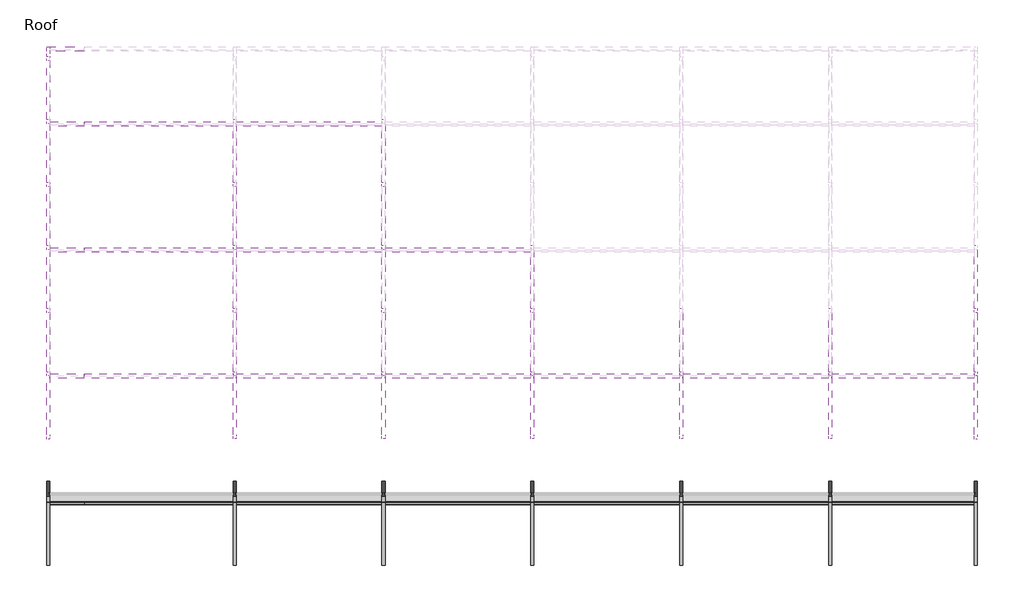
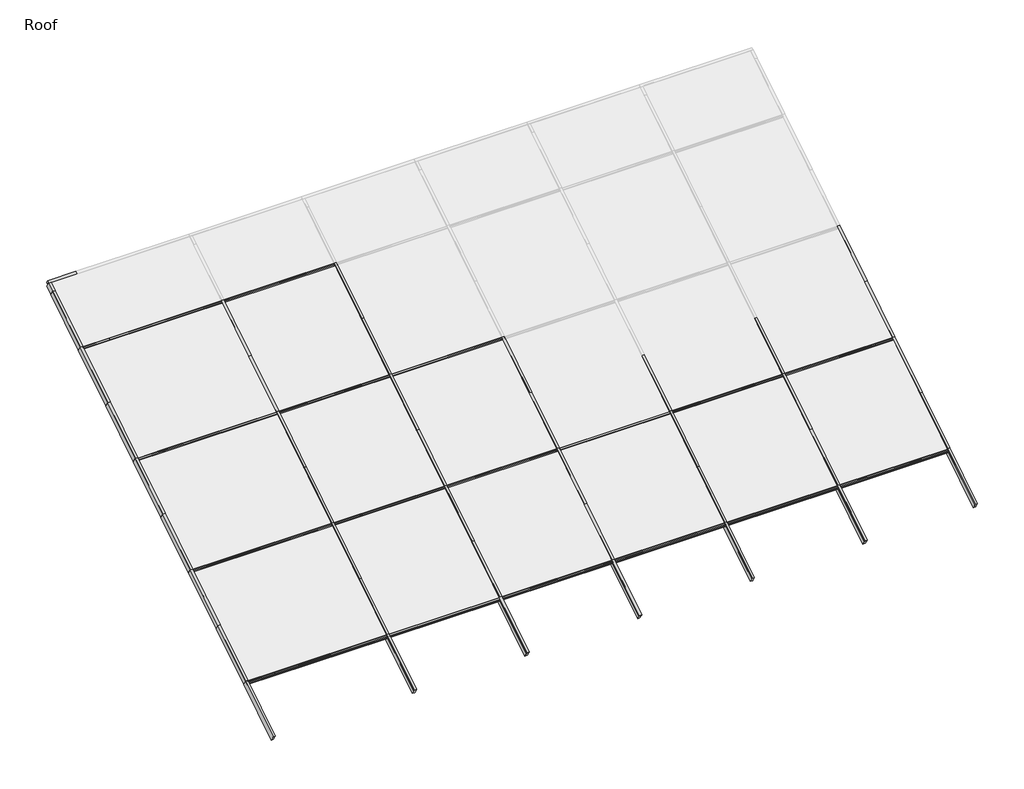
# One storey, part 1 of 2: 63 members.
"""IFC4 building model written with IfcOpenShell, lengths in millimetres."""

import ifcopenshell
import ifcopenshell.guid

model = None  # the IFC model being written
_history = None  # IfcOwnerHistory: only IFC2X3 demands one
_inside = {}  # id of a spatial element -> (the spatial element, [elements in it])
_under = {}  # id of a project, library or spatial element -> (it, [spatial elements below it])
_declared = {}  # id of a project -> (the project, [libraries it declares])
_typed = {}  # id of a type object -> (the type object, [elements of that type])
_made_of = {}  # id of a material, layer set ... -> (it, [elements and type objects made of it])


def new_model(schema):
    """Start an empty IFC model of exactly this schema.

    Asked for "IFC4X3", IfcOpenShell would pick the latest addendum, in which some entities
    have other attributes; the version numbers below select the first issue.
    IFC2X3 requires an IfcOwnerHistory on every rooted entity: one is made here for all.
    """
    global model, _history
    if schema == "IFC4X3":
        model = ifcopenshell.file(schema_version=(4, 3, 0, 0))
    else:
        model = ifcopenshell.file(schema=schema)
    _inside.clear()
    _under.clear()
    _declared.clear()
    _typed.clear()
    _made_of.clear()
    _history = None
    if model.schema == "IFC2X3":
        org = make("IfcOrganization", Name="unknown")
        user = make(
            "IfcPersonAndOrganization",
            ThePerson=make("IfcPerson", FamilyName="unknown"),
            TheOrganization=org,
        )
        app = make(
            "IfcApplication",
            ApplicationDeveloper=org,
            Version="unknown",
            ApplicationFullName="unknown",
            ApplicationIdentifier="unknown",
        )
        _history = make(
            "IfcOwnerHistory",
            OwningUser=user,
            OwningApplication=app,
            ChangeAction="ADDED",
            CreationDate=0,
        )
    return model


def make(cls, **values):
    """One entity of the class cls with the attributes given. An attribute that is None is left unset."""
    return model.create_entity(
        cls, **{name: value for name, value in values.items() if value is not None}
    )


def rooted(cls, **values):
    """An entity with a GlobalId (a new one), such as an element, a storey or a relation."""
    return make(cls, GlobalId=ifcopenshell.guid.new(), OwnerHistory=_history, **values)


def si_unit(unit_type, name, prefix=None):
    """IfcSIUnit, for example si_unit("LENGTHUNIT", "METRE", prefix="MILLI")."""
    return make("IfcSIUnit", UnitType=unit_type, Prefix=prefix, Name=name)


def assignment(units):
    """IfcUnitAssignment: the units of a project."""
    return None if units is None else make("IfcUnitAssignment", Units=units)


def point(xyz):
    """IfcCartesianPoint."""
    return None if xyz is None else make("IfcCartesianPoint", Coordinates=xyz)


def direction(xyz):
    """IfcDirection."""
    return None if xyz is None else make("IfcDirection", DirectionRatios=xyz)


def frame(location, z_axis=None, x_axis=None):
    """IfcAxis2Placement3D, a coordinate frame: its origin and axes. An axis left out is left unset."""
    return make(
        "IfcAxis2Placement3D",
        Location=point(location),
        Axis=direction(z_axis),
        RefDirection=direction(x_axis),
    )


def origin():
    """The frame at (0, 0, 0) with its axes left unset."""
    return frame((0.0, 0.0, 0.0))


def place(relative_to, where):
    """IfcLocalPlacement: puts the frame where relative to a parent placement (None: the world)."""
    return make(
        "IfcLocalPlacement", PlacementRelTo=relative_to, RelativePlacement=where
    )


def context(
    kind, dimensions, precision=None, world=None, true_north=None, identifier=None
):
    """IfcGeometricRepresentationContext, for example the 3D "Model" context."""
    return make(
        "IfcGeometricRepresentationContext",
        ContextIdentifier=identifier,
        ContextType=kind,
        CoordinateSpaceDimension=dimensions,
        Precision=precision,
        WorldCoordinateSystem=world,
        TrueNorth=true_north,
    )


def project(units=None, contexts=None):
    """IfcProject with its units and contexts."""
    return rooted(
        "IfcProject",
        Name="project",
        RepresentationContexts=contexts,
        UnitsInContext=assignment(units),
    )


def spatial(cls, under=None, at=None, **own):
    """A site, building, storey or space (cls), placed at a placement, below another one or the project."""
    s = rooted(cls, ObjectPlacement=at, **own)
    if under is not None:
        _under.setdefault(under.id(), (under, []))[1].append(s)
    return s


def polyline(points):
    """IfcPolyline through the points."""
    return make("IfcPolyline", Points=[point(p) for p in points])


def outline(outer, holes=None, kind="AREA"):
    """IfcArbitraryClosedProfileDef: a profile drawn as a closed curve; with holes, ...WithVoids."""
    if holes is None:
        return make("IfcArbitraryClosedProfileDef", ProfileType=kind, OuterCurve=outer)
    return make(
        "IfcArbitraryProfileDefWithVoids",
        ProfileType=kind,
        OuterCurve=outer,
        InnerCurves=holes,
    )


def extrude(swept, where, along, depth):
    """IfcExtrudedAreaSolid: the profile swept, set in the frame where, extruded along a direction by depth."""
    return make(
        "IfcExtrudedAreaSolid",
        SweptArea=swept,
        Position=where,
        ExtrudedDirection=direction(along),
        Depth=depth,
    )


def shape(context_of_items, identifier, shape_type, items):
    """IfcShapeRepresentation: the items that make up one representation, for example the "Body"."""
    return make(
        "IfcShapeRepresentation",
        ContextOfItems=context_of_items,
        RepresentationIdentifier=identifier,
        RepresentationType=shape_type,
        Items=items,
    )


def source(mapping_origin, context_of_items, identifier, shape_type, items):
    """IfcRepresentationMap: a shape defined once, which mapped items show again and again."""
    return make(
        "IfcRepresentationMap",
        MappingOrigin=mapping_origin,
        MappedRepresentation=shape(context_of_items, identifier, shape_type, items),
    )


def transform(
    local_origin,
    x_axis=None,
    y_axis=None,
    z_axis=None,
    scale=None,
    scale2=None,
    scale3=None,
    uniform=True,
):
    """IfcCartesianTransformationOperator3D, or its non-uniform kind. x_axis, y_axis, z_axis: its Axis1, 2, 3."""
    if uniform:
        return make(
            "IfcCartesianTransformationOperator3D",
            Axis1=direction(x_axis),
            Axis2=direction(y_axis),
            LocalOrigin=point(local_origin),
            Scale=scale,
            Axis3=direction(z_axis),
        )
    return make(
        "IfcCartesianTransformationOperator3DnonUniform",
        Axis1=direction(x_axis),
        Axis2=direction(y_axis),
        LocalOrigin=point(local_origin),
        Scale=scale,
        Axis3=direction(z_axis),
        Scale2=scale2,
        Scale3=scale3,
    )


def mapped(mapping_source, mapping_target):
    """IfcMappedItem: shows the shape of a source again, moved by a transform."""
    return make(
        "IfcMappedItem", MappingSource=mapping_source, MappingTarget=mapping_target
    )


def made_of(thing, what):
    """Note that an element or type object is made of a material, layer set ...; save() writes the relation."""
    if what is not None:
        _made_of.setdefault(what.id(), (what, []))[1].append(thing)
    return thing


def element(
    cls,
    number,
    at=None,
    inside=None,
    cuts=None,
    type_object=None,
    material=None,
    context=None,
    identifier="Body",
    shape_type=None,
    held_by="IfcProductDefinitionShape",
    body=None,
    shapes=None,
    **own,
):
    """One element of the class cls, such as IfcWall. Its Tag is "e" and its number.

    at: its placement. inside: the storey or other place that contains it. cuts: it is an
    opening in that element (IfcRelVoidsElement). A single representation is given by context,
    identifier, shape_type and body (its items); several are given by shapes. held_by: the class
    of the entity that holds the representations. save() writes the other relations.
    """
    e = rooted(cls, Tag="e%d" % number, ObjectPlacement=at, **own)
    if body is not None:
        shapes = [shape(context, identifier, shape_type, body)]
    if shapes is not None:
        e.Representation = make(held_by, Representations=shapes)
    if inside is not None:
        _inside.setdefault(inside.id(), (inside, []))[1].append(e)
    if cuts is not None:
        rooted(
            "IfcRelVoidsElement", RelatingBuildingElement=cuts, RelatedOpeningElement=e
        )
    if type_object is not None:
        _typed.setdefault(type_object.id(), (type_object, []))[1].append(e)
    return made_of(e, material)


def aggregate(whole, parts):
    """IfcRelAggregates: a whole, such as a stair, and the parts it consists of."""
    return rooted("IfcRelAggregates", RelatingObject=whole, RelatedObjects=parts)


def save(model, path):
    """Write the relations noted so far, then the file.

    IfcRelAggregates (storeys below a building ...), IfcRelContainedInSpatialStructure (elements
    in a storey), IfcRelDefinesByType, IfcRelAssociatesMaterial and IfcRelDeclares: one each for
    every whole, place, type object, material and project.
    """
    for whole, parts in _under.values():
        aggregate(whole, parts)
    for where, things in _inside.values():
        rooted(
            "IfcRelContainedInSpatialStructure",
            RelatedElements=things,
            RelatingStructure=where,
        )
    for kind, things in _typed.values():
        rooted("IfcRelDefinesByType", RelatedObjects=things, RelatingType=kind)
    for what, things in _made_of.values():
        rooted("IfcRelAssociatesMaterial", RelatedObjects=things, RelatingMaterial=what)
    for by, libraries in _declared.values():
        rooted("IfcRelDeclares", RelatingContext=by, RelatedDefinitions=libraries)
    model.write(path)


def rectangular_mullion_c4d62078(model_context):
    return source(origin(), model_context, "Body", "SweptSolid", [
        extrude(outline(polyline([(-0.000129, 31.7245455), (0.0, -54.0133409), (-63.5, -54.0134364), (-63.5000621, -12.738415), (-49.2252621, -12.738415), (-49.2253003, 12.661585), (-63.4960612, 12.6616148), (-63.4999406, 31.7116144), (-0.000129, 31.7245455)])), frame((0.0, 0.0, -770.2951644), z_axis=(0.0, 0.0, 1.0), x_axis=(1.0, 0.0, 0.0)), (0.0, 0.0, 1.0), 770.2951644),
    ])


def rectangular_mullion_a13faa2c(model_context):
    return source(origin(), model_context, "Body", "SweptSolid", [
        extrude(outline(polyline([(-4.096956, -53.9602111), (-67.596956, -53.9602111), (-67.596956, -12.6852111), (-53.309456, -12.6852111), (-53.309456, 12.7147889), (-65.9499667, 12.7147889), (-65.9499667, 21.8572066), (-51.099656, 30.4308317), (-20.594256, 30.4310857), (-5.7051014, 21.8350346), (-4.096956, 12.7147889), (-18.384456, 12.7147889), (-18.384456, -12.6852111), (-4.096956, -12.6852111), (-4.096956, -53.9602111)])), frame((0.0, 0.0, -706.8411384), z_axis=(0.0, 0.0, 1.0), x_axis=(1.0, 0.0, 0.0)), (0.0, 0.0, 1.0), 706.8411384),
    ])


def rectangular_mullion_35060c6a(model_context):
    return source(origin(), model_context, "Body", "SweptSolid", [
        extrude(outline(polyline([(-4.096956, -53.9602111), (-67.596956, -53.9602111), (-67.596956, -12.6852111), (-53.309456, -12.6852111), (-53.309456, 12.7147889), (-65.9499667, 12.7147889), (-65.9499667, 21.8572066), (-51.099656, 30.4308317), (-20.594256, 30.4310857), (-5.7051014, 21.8350346), (-4.096956, 12.7147889), (-18.384456, 12.7147889), (-18.384456, -12.6852111), (-4.096956, -12.6852111), (-4.096956, -53.9602111)])), frame((0.0, 0.0, -3048.0), z_axis=(0.0, 0.0, 1.0), x_axis=(1.0, 0.0, 0.0)), (0.0, 0.0, 1.0), 3048.0),
    ])


def rectangular_mullion_f91fee04(model_context):
    return source(origin(), model_context, "Body", "SweptSolid", [
        extrude(outline(polyline([(-4.096956, -53.9602111), (-67.596956, -53.9602111), (-67.596956, -12.6852111), (-53.309456, -12.6852111), (-53.309456, 12.7147889), (-65.9499667, 12.7147889), (-65.9499667, 21.8572066), (-51.099656, 30.4308317), (-20.594256, 30.4310857), (-5.7051014, 21.8350346), (-4.096956, 12.7147889), (-18.384456, 12.7147889), (-18.384456, -12.6852111), (-4.096956, -12.6852111), (-4.096956, -53.9602111)])), frame((0.0, 0.0, -2984.5), z_axis=(0.0, 0.0, 1.0), x_axis=(1.0, 0.0, 0.0)), (0.0, 0.0, 1.0), 2984.5),
    ])


def rectangular_mullion_ae982b71(model_context):
    return source(origin(), model_context, "Body", "SweptSolid", [
        extrude(outline(polyline([(-4.096956, -53.9602111), (-67.596956, -53.9602111), (-67.596956, -12.6852111), (-53.309456, -12.6852111), (-53.309456, 12.7147889), (-65.9499667, 12.7147889), (-65.9499667, 21.8572066), (-51.099656, 30.4308317), (-20.594256, 30.4310857), (-5.7051014, 21.8350346), (-4.096956, 12.7147889), (-18.384456, 12.7147889), (-18.384456, -12.6852111), (-4.096956, -12.6852111), (-4.096956, -53.9602111)])), frame((0.0, 0.0, -2921.0459743), z_axis=(0.0, 0.0, 1.0), x_axis=(1.0, 0.0, 0.0)), (0.0, 0.0, 1.0), 2921.0459743),
    ])


def rectangular_mullion_b199b035(model_context):
    return source(origin(), model_context, "Body", "SweptSolid", [
        extrude(outline(polyline([(-63.5, -139.6563438), (-63.5, -12.6563184), (-49.2125, -12.6563438), (-49.2125, 12.7436562), (-63.5, 12.7436562), (-63.5, 31.2539062), (0.0, 31.2539062), (0.0, 12.7436562), (-14.2875, 12.7436562), (-14.2875, -12.6563438), (0.0, -12.6563438), (0.0, -139.6563438), (-63.5, -139.6563438)])), frame((0.0, 0.0, -1524.0), z_axis=(0.0, 0.0, 1.0), x_axis=(1.0, 0.0, 0.0)), (0.0, 0.0, 1.0), 1524.0),
    ])


def rectangular_mullion_18b61d79(model_context):
    return source(origin(), model_context, "Body", "SweptSolid", [
        extrude(outline(polyline([(-63.454026, -139.7014045), (-63.454026, -12.7013791), (-49.166526, -12.7014045), (-49.166526, 12.6985955), (-63.454026, 12.6985955), (-63.3922134, 32.0719397), (0.0, 31.75), (0.0, -139.7014045), (-63.454026, -139.7014045)])), frame((0.0, 0.0, -1524.0), z_axis=(0.0, 0.0, 1.0), x_axis=(1.0, 0.0, 0.0)), (0.0, 0.0, 1.0), 1524.0),
    ])


def rectangular_mullion_1b5a8f5a(model_context):
    return source(origin(), model_context, "Body", "SweptSolid", [
        extrude(outline(polyline([(-63.454026, -139.7014045), (-63.454026, -12.7013791), (-49.166526, -12.7014045), (-49.166526, 12.6985955), (-63.454026, 12.6985955), (-63.3922134, 32.0719397), (0.0, 31.75), (0.0, -139.7014045), (-63.454026, -139.7014045)])), frame((0.0, 0.0, -225.7572113), z_axis=(0.0, 0.0, 1.0), x_axis=(1.0, 0.0, 0.0)), (0.0, 0.0, 1.0), 225.7572113),
    ])


model = new_model("IFC4")

# Units and contexts
model_context = context("Model", 3, world=origin())
ifc_project = project(units=[si_unit("LENGTHUNIT", "METRE", prefix="MILLI")], contexts=[model_context])

# Site, building, storey
site = spatial("IfcSite", under=ifc_project)
building = spatial("IfcBuilding", under=site)
storey = spatial("IfcBuildingStorey", under=building, Name="Roof", Elevation=6096.0)

# Members
placement = place(None, origin())
rectangular_mullion_shape = rectangular_mullion_c4d62078(model_context)
element("IfcMember", 1, ObjectType="Rectangular Mullion", at=placement, inside=storey, context=model_context, shape_type="MappedRepresentation", body=[
    mapped(rectangular_mullion_shape, transform((-129862.6430895, 5361.6616634, 13030.6002128), x_axis=(0.0, 0.8468122972348432, 0.5318918435658209), y_axis=(0.0, -0.5318918435658209, 0.8468122972348432), z_axis=(1.0, 0.0, 0.0))),
])
rectangular_mullion_2_shape = rectangular_mullion_a13faa2c(model_context)
element("IfcMember", 2, ObjectType="Rectangular Mullion", at=placement, inside=storey, context=model_context, shape_type="MappedRepresentation", body=[
    mapped(rectangular_mullion_2_shape, transform((-129862.6430895, 3826.1731062, 12066.1434588), x_axis=(0.0, 0.8468122972348432, 0.5318918435658209), y_axis=(0.0, -0.5318918435658209, 0.8468122972348432), z_axis=(1.0, 0.0, 0.0))),
])
element("IfcMember", 3, ObjectType="Rectangular Mullion", at=placement, inside=storey, context=model_context, shape_type="MappedRepresentation", body=[
    mapped(rectangular_mullion_2_shape, transform((-129862.6430895, 1245.0892242, 10444.9371196), x_axis=(0.0, 0.8468122972348432, 0.5318918435658209), y_axis=(0.0, -0.5318918435658209, 0.8468122972348432), z_axis=(1.0, 0.0, 0.0))),
])
element("IfcMember", 4, ObjectType="Rectangular Mullion", at=placement, inside=storey, context=model_context, shape_type="MappedRepresentation", body=[
    mapped(rectangular_mullion_2_shape, transform((-129862.6430895, -1335.9946577, 8823.7307804), x_axis=(0.0, 0.8468122972348432, 0.5318918435658209), y_axis=(0.0, -0.5318918435658209, 0.8468122972348432), z_axis=(1.0, 0.0, 0.0))),
])
element("IfcMember", 5, ObjectType="Rectangular Mullion", at=placement, inside=storey, context=model_context, shape_type="MappedRepresentation", body=[
    mapped(rectangular_mullion_2_shape, transform((-129862.6430895, -3917.0785397, 7202.5244412), x_axis=(0.0, 0.8468122972348432, 0.5318918435658209), y_axis=(0.0, -0.5318918435658209, 0.8468122972348432), z_axis=(1.0, 0.0, 0.0))),
])
rectangular_mullion_3_shape = rectangular_mullion_35060c6a(model_context)
element("IfcMember", 6, ObjectType="Rectangular Mullion", at=placement, inside=storey, context=model_context, shape_type="MappedRepresentation", body=[
    mapped(rectangular_mullion_3_shape, transform((-126814.6430895, 3826.1731062, 12066.1434588), x_axis=(0.0, 0.8468122972348432, 0.5318918435658209), y_axis=(0.0, -0.5318918435658209, 0.8468122972348432), z_axis=(1.0, 0.0, 0.0))),
])
element("IfcMember", 7, ObjectType="Rectangular Mullion", at=placement, inside=storey, context=model_context, shape_type="MappedRepresentation", body=[
    mapped(rectangular_mullion_3_shape, transform((-126814.6430895, 1245.0892242, 10444.9371196), x_axis=(0.0, 0.8468122972348432, 0.5318918435658209), y_axis=(0.0, -0.5318918435658209, 0.8468122972348432), z_axis=(1.0, 0.0, 0.0))),
])
element("IfcMember", 8, ObjectType="Rectangular Mullion", at=placement, inside=storey, context=model_context, shape_type="MappedRepresentation", body=[
    mapped(rectangular_mullion_3_shape, transform((-126814.6430895, -1335.9946577, 8823.7307804), x_axis=(0.0, 0.8468122972348432, 0.5318918435658209), y_axis=(0.0, -0.5318918435658209, 0.8468122972348432), z_axis=(1.0, 0.0, 0.0))),
])
element("IfcMember", 9, ObjectType="Rectangular Mullion", at=placement, inside=storey, context=model_context, shape_type="MappedRepresentation", body=[
    mapped(rectangular_mullion_3_shape, transform((-126814.6430895, -3917.0785397, 7202.5244412), x_axis=(0.0, 0.8468122972348432, 0.5318918435658209), y_axis=(0.0, -0.5318918435658209, 0.8468122972348432), z_axis=(1.0, 0.0, 0.0))),
])
rectangular_mullion_4_shape = rectangular_mullion_f91fee04(model_context)
element("IfcMember", 10, ObjectType="Rectangular Mullion", at=placement, inside=storey, context=model_context, shape_type="MappedRepresentation", body=[
    mapped(rectangular_mullion_4_shape, transform((-123766.6430895, 3826.1731062, 12066.1434588), x_axis=(0.0, 0.8468122972348432, 0.5318918435658209), y_axis=(0.0, -0.5318918435658209, 0.8468122972348432), z_axis=(1.0, 0.0, 0.0))),
])
element("IfcMember", 11, ObjectType="Rectangular Mullion", at=placement, inside=storey, context=model_context, shape_type="MappedRepresentation", body=[
    mapped(rectangular_mullion_4_shape, transform((-123766.6430895, 1245.0892242, 10444.9371196), x_axis=(0.0, 0.8468122972348432, 0.5318918435658209), y_axis=(0.0, -0.5318918435658209, 0.8468122972348432), z_axis=(1.0, 0.0, 0.0))),
])
element("IfcMember", 12, ObjectType="Rectangular Mullion", at=placement, inside=storey, context=model_context, shape_type="MappedRepresentation", body=[
    mapped(rectangular_mullion_4_shape, transform((-120718.6430895, 1245.0892242, 10444.9371196), x_axis=(0.0, 0.8468122972348432, 0.5318918435658209), y_axis=(0.0, -0.5318918435658209, 0.8468122972348432), z_axis=(1.0, 0.0, 0.0))),
])
element("IfcMember", 13, ObjectType="Rectangular Mullion", at=placement, inside=storey, context=model_context, shape_type="MappedRepresentation", body=[
    mapped(rectangular_mullion_4_shape, transform((-123766.6430895, -1335.9946577, 8823.7307804), x_axis=(0.0, 0.8468122972348432, 0.5318918435658209), y_axis=(0.0, -0.5318918435658209, 0.8468122972348432), z_axis=(1.0, 0.0, 0.0))),
])
element("IfcMember", 14, ObjectType="Rectangular Mullion", at=placement, inside=storey, context=model_context, shape_type="MappedRepresentation", body=[
    mapped(rectangular_mullion_4_shape, transform((-120718.6430895, -1335.9946577, 8823.7307804), x_axis=(0.0, 0.8468122972348432, 0.5318918435658209), y_axis=(0.0, -0.5318918435658209, 0.8468122972348432), z_axis=(1.0, 0.0, 0.0))),
])
element("IfcMember", 15, ObjectType="Rectangular Mullion", at=placement, inside=storey, context=model_context, shape_type="MappedRepresentation", body=[
    mapped(rectangular_mullion_4_shape, transform((-117670.6430895, -1335.9946577, 8823.7307804), x_axis=(0.0, 0.8468122972348432, 0.5318918435658209), y_axis=(0.0, -0.5318918435658209, 0.8468122972348432), z_axis=(1.0, 0.0, 0.0))),
])
element("IfcMember", 16, ObjectType="Rectangular Mullion", at=placement, inside=storey, context=model_context, shape_type="MappedRepresentation", body=[
    mapped(rectangular_mullion_4_shape, transform((-114622.6430895, -1335.9946577, 8823.7307804), x_axis=(0.0, 0.8468122972348432, 0.5318918435658209), y_axis=(0.0, -0.5318918435658209, 0.8468122972348432), z_axis=(1.0, 0.0, 0.0))),
])
element("IfcMember", 17, ObjectType="Rectangular Mullion", at=placement, inside=storey, context=model_context, shape_type="MappedRepresentation", body=[
    mapped(rectangular_mullion_4_shape, transform((-123766.6430895, -3917.0785397, 7202.5244412), x_axis=(0.0, 0.8468122972348432, 0.5318918435658209), y_axis=(0.0, -0.5318918435658209, 0.8468122972348432), z_axis=(1.0, 0.0, 0.0))),
])
element("IfcMember", 18, ObjectType="Rectangular Mullion", at=placement, inside=storey, context=model_context, shape_type="MappedRepresentation", body=[
    mapped(rectangular_mullion_4_shape, transform((-120718.6430895, -3917.0785397, 7202.5244412), x_axis=(0.0, 0.8468122972348432, 0.5318918435658209), y_axis=(0.0, -0.5318918435658209, 0.8468122972348432), z_axis=(1.0, 0.0, 0.0))),
])
element("IfcMember", 19, ObjectType="Rectangular Mullion", at=placement, inside=storey, context=model_context, shape_type="MappedRepresentation", body=[
    mapped(rectangular_mullion_4_shape, transform((-117670.6430895, -3917.0785397, 7202.5244412), x_axis=(0.0, 0.8468122972348432, 0.5318918435658209), y_axis=(0.0, -0.5318918435658209, 0.8468122972348432), z_axis=(1.0, 0.0, 0.0))),
])
element("IfcMember", 20, ObjectType="Rectangular Mullion", at=placement, inside=storey, context=model_context, shape_type="MappedRepresentation", body=[
    mapped(rectangular_mullion_4_shape, transform((-114622.6430895, -3917.0785397, 7202.5244412), x_axis=(0.0, 0.8468122972348432, 0.5318918435658209), y_axis=(0.0, -0.5318918435658209, 0.8468122972348432), z_axis=(1.0, 0.0, 0.0))),
])
rectangular_mullion_5_shape = rectangular_mullion_ae982b71(model_context)
element("IfcMember", 21, ObjectType="Rectangular Mullion", at=placement, inside=storey, context=model_context, shape_type="MappedRepresentation", body=[
    mapped(rectangular_mullion_5_shape, transform((-111638.0971152, -1335.9946577, 8823.7307804), x_axis=(0.0, 0.8468122972348432, 0.5318918435658209), y_axis=(0.0, -0.5318918435658209, 0.8468122972348432), z_axis=(1.0, 0.0, 0.0))),
])
element("IfcMember", 22, ObjectType="Rectangular Mullion", at=placement, inside=storey, context=model_context, shape_type="MappedRepresentation", body=[
    mapped(rectangular_mullion_5_shape, transform((-111638.0971152, -3917.0785397, 7202.5244412), x_axis=(0.0, 0.8468122972348432, 0.5318918435658209), y_axis=(0.0, -0.5318918435658209, 0.8468122972348432), z_axis=(1.0, 0.0, 0.0))),
])
rectangular_mullion_6_shape = rectangular_mullion_b199b035(model_context)
element("IfcMember", 23, ObjectType="Rectangular Mullion", at=placement, inside=storey, context=model_context, shape_type="MappedRepresentation", body=[
    mapped(rectangular_mullion_6_shape, transform((-126814.6430895, 2535.6311652, 11255.5402892), x_axis=(-1.0, 0.0, 0.0), y_axis=(0.0, -0.5318918435658208, 0.8468122972348433), z_axis=(0.0, 0.8468122972348432, 0.5318918435658206))),
])
element("IfcMember", 24, ObjectType="Rectangular Mullion", at=placement, inside=storey, context=model_context, shape_type="MappedRepresentation", body=[
    mapped(rectangular_mullion_6_shape, transform((-126814.6430895, -45.4527168, 9634.33395), x_axis=(-1.0, 0.0, 0.0), y_axis=(0.0, -0.5318918435658208, 0.8468122972348433), z_axis=(0.0, 0.8468122972348433, 0.5318918435658208))),
])
element("IfcMember", 25, ObjectType="Rectangular Mullion", at=placement, inside=storey, context=model_context, shape_type="MappedRepresentation", body=[
    mapped(rectangular_mullion_6_shape, transform((-126814.6430895, -2626.5365987, 8013.1276108), x_axis=(-1.0, 0.0, 0.0), y_axis=(0.0, -0.5318918435658208, 0.8468122972348433), z_axis=(0.0, 0.8468122972348433, 0.5318918435658208))),
])
element("IfcMember", 26, ObjectType="Rectangular Mullion", at=placement, inside=storey, context=model_context, shape_type="MappedRepresentation", body=[
    mapped(rectangular_mullion_6_shape, transform((-120718.6430895, -45.4527168, 9634.33395), x_axis=(-1.0, 0.0, 0.0), y_axis=(0.0, -0.5318918435658208, 0.8468122972348433), z_axis=(0.0, 0.8468122972348433, 0.5318918435658208))),
])
element("IfcMember", 27, ObjectType="Rectangular Mullion", at=placement, inside=storey, context=model_context, shape_type="MappedRepresentation", body=[
    mapped(rectangular_mullion_6_shape, transform((-120718.6430895, -2626.5365987, 8013.1276108), x_axis=(-1.0, 0.0, 0.0), y_axis=(0.0, -0.5318918435658213, 0.846812297234843), z_axis=(0.0, 0.8468122972348429, 0.5318918435658212))),
])
element("IfcMember", 28, ObjectType="Rectangular Mullion", at=placement, inside=storey, context=model_context, shape_type="MappedRepresentation", body=[
    mapped(rectangular_mullion_6_shape, transform((-123766.6430895, 2535.6311652, 11255.5402892), x_axis=(-1.0, 0.0, 0.0), y_axis=(0.0, -0.5318918435658218, 0.8468122972348426), z_axis=(0.0, 0.8468122972348426, 0.5318918435658218))),
])
element("IfcMember", 29, ObjectType="Rectangular Mullion", at=placement, inside=storey, context=model_context, shape_type="MappedRepresentation", body=[
    mapped(rectangular_mullion_6_shape, transform((-123766.6430895, -45.4527168, 9634.33395), x_axis=(-1.0, 0.0, 0.0), y_axis=(0.0, -0.5318918435658209, 0.8468122972348431), z_axis=(0.0, 0.8468122972348431, 0.5318918435658209))),
])
element("IfcMember", 30, ObjectType="Rectangular Mullion", at=placement, inside=storey, context=model_context, shape_type="MappedRepresentation", body=[
    mapped(rectangular_mullion_6_shape, transform((-123766.6430895, -2626.5365987, 8013.1276108), x_axis=(-1.0, 0.0, 0.0), y_axis=(0.0, -0.5318918435658211, 0.8468122972348431), z_axis=(0.0, 0.8468122972348431, 0.5318918435658211))),
])
element("IfcMember", 31, ObjectType="Rectangular Mullion", at=placement, inside=storey, context=model_context, shape_type="MappedRepresentation", body=[
    mapped(rectangular_mullion_6_shape, transform((-117670.6430895, -45.4527168, 9634.33395), x_axis=(-1.0, 0.0, 0.0), y_axis=(0.0, -0.5318918435658205, 0.8468122972348434), z_axis=(0.0, 0.8468122972348434, 0.5318918435658205))),
])
element("IfcMember", 32, ObjectType="Rectangular Mullion", at=placement, inside=storey, context=model_context, shape_type="MappedRepresentation", body=[
    mapped(rectangular_mullion_6_shape, transform((-117670.6430895, -2626.5365987, 8013.1276108), x_axis=(-1.0, 0.0, 0.0), y_axis=(0.0, -0.5318918435658205, 0.8468122972348434), z_axis=(0.0, 0.8468122972348434, 0.5318918435658205))),
])
element("IfcMember", 33, ObjectType="Rectangular Mullion", at=placement, inside=storey, context=model_context, shape_type="MappedRepresentation", body=[
    mapped(rectangular_mullion_6_shape, transform((-114622.6430895, -45.4527168, 9634.33395), x_axis=(-1.0, 0.0, 0.0), y_axis=(0.0, -0.531891843565821, 0.8468122972348431), z_axis=(0.0, 0.8468122972348431, 0.531891843565821))),
])
element("IfcMember", 34, ObjectType="Rectangular Mullion", at=placement, inside=storey, context=model_context, shape_type="MappedRepresentation", body=[
    mapped(rectangular_mullion_6_shape, transform((-114622.6430895, -2626.5365987, 8013.1276108), x_axis=(-1.0, 0.0, 0.0), y_axis=(0.0, -0.5318918435658211, 0.8468122972348431), z_axis=(0.0, 0.8468122972348431, 0.5318918435658211))),
])
element("IfcMember", 35, ObjectType="Rectangular Mullion", at=placement, inside=storey, context=model_context, shape_type="MappedRepresentation", body=[
    mapped(rectangular_mullion_6_shape, transform((-126814.6430895, 3826.1731062, 12066.1434588), x_axis=(-1.0, 0.0, 0.0), y_axis=(0.0, -0.5318918435658209, 0.8468122972348431), z_axis=(0.0, 0.8468122972348431, 0.5318918435658209))),
])
element("IfcMember", 36, ObjectType="Rectangular Mullion", at=placement, inside=storey, context=model_context, shape_type="MappedRepresentation", body=[
    mapped(rectangular_mullion_6_shape, transform((-126814.6430895, 1245.0892242, 10444.9371196), x_axis=(-1.0, 0.0, 0.0), y_axis=(0.0, -0.5318918435658214, 0.8468122972348427), z_axis=(0.0, 0.8468122972348427, 0.5318918435658214))),
])
element("IfcMember", 37, ObjectType="Rectangular Mullion", at=placement, inside=storey, context=model_context, shape_type="MappedRepresentation", body=[
    mapped(rectangular_mullion_6_shape, transform((-126814.6430895, -1335.9946577, 8823.7307804), x_axis=(-1.0, 0.0, 0.0), y_axis=(0.0, -0.5318918435658208, 0.8468122972348433), z_axis=(0.0, 0.8468122972348432, 0.5318918435658206))),
])
element("IfcMember", 38, ObjectType="Rectangular Mullion", at=placement, inside=storey, context=model_context, shape_type="MappedRepresentation", body=[
    mapped(rectangular_mullion_6_shape, transform((-126814.6430895, -3917.0785397, 7202.5244412), x_axis=(-1.0, 0.0, 0.0), y_axis=(0.0, -0.5318918435658209, 0.8468122972348431), z_axis=(0.0, 0.8468122972348431, 0.5318918435658209))),
])
element("IfcMember", 39, ObjectType="Rectangular Mullion", at=placement, inside=storey, context=model_context, shape_type="MappedRepresentation", body=[
    mapped(rectangular_mullion_6_shape, transform((-120718.6430895, 1245.0892242, 10444.9371196), x_axis=(-1.0, 0.0, 0.0), y_axis=(0.0, -0.5318918435658209, 0.8468122972348431), z_axis=(0.0, 0.8468122972348431, 0.5318918435658209))),
])
element("IfcMember", 40, ObjectType="Rectangular Mullion", at=placement, inside=storey, context=model_context, shape_type="MappedRepresentation", body=[
    mapped(rectangular_mullion_6_shape, transform((-120718.6430895, -1335.9946577, 8823.7307804), x_axis=(-1.0, 0.0, 0.0), y_axis=(0.0, -0.5318918435658208, 0.8468122972348433), z_axis=(0.0, 0.8468122972348432, 0.5318918435658206))),
])
element("IfcMember", 41, ObjectType="Rectangular Mullion", at=placement, inside=storey, context=model_context, shape_type="MappedRepresentation", body=[
    mapped(rectangular_mullion_6_shape, transform((-120718.6430895, -3917.0785397, 7202.5244412), x_axis=(-1.0, 0.0, 0.0), y_axis=(0.0, -0.5318918435658206, 0.8468122972348434), z_axis=(0.0, 0.8468122972348434, 0.5318918435658206))),
])
element("IfcMember", 42, ObjectType="Rectangular Mullion", at=placement, inside=storey, context=model_context, shape_type="MappedRepresentation", body=[
    mapped(rectangular_mullion_6_shape, transform((-123766.6430895, 3826.1731062, 12066.1434588), x_axis=(-1.0, 0.0, 0.0), y_axis=(0.0, -0.5318918435658205, 0.8468122972348434), z_axis=(0.0, 0.8468122972348434, 0.5318918435658205))),
])
element("IfcMember", 43, ObjectType="Rectangular Mullion", at=placement, inside=storey, context=model_context, shape_type="MappedRepresentation", body=[
    mapped(rectangular_mullion_6_shape, transform((-123766.6430895, 1245.0892242, 10444.9371196), x_axis=(-1.0, 0.0, 0.0), y_axis=(0.0, -0.5318918435658206, 0.8468122972348434), z_axis=(0.0, 0.8468122972348433, 0.5318918435658205))),
])
element("IfcMember", 44, ObjectType="Rectangular Mullion", at=placement, inside=storey, context=model_context, shape_type="MappedRepresentation", body=[
    mapped(rectangular_mullion_6_shape, transform((-123766.6430895, -1335.9946577, 8823.7307804), x_axis=(-1.0, 0.0, 0.0), y_axis=(0.0, -0.5318918435658209, 0.8468122972348431), z_axis=(0.0, 0.8468122972348431, 0.5318918435658209))),
])
element("IfcMember", 45, ObjectType="Rectangular Mullion", at=placement, inside=storey, context=model_context, shape_type="MappedRepresentation", body=[
    mapped(rectangular_mullion_6_shape, transform((-123766.6430895, -3917.0785397, 7202.5244412), x_axis=(-1.0, 0.0, 0.0), y_axis=(0.0, -0.5318918435658208, 0.8468122972348433), z_axis=(0.0, 0.8468122972348433, 0.5318918435658208))),
])
element("IfcMember", 46, ObjectType="Rectangular Mullion", at=placement, inside=storey, context=model_context, shape_type="MappedRepresentation", body=[
    mapped(rectangular_mullion_6_shape, transform((-117670.6430895, -1335.9946577, 8823.7307804), x_axis=(-1.0, 0.0, 0.0), y_axis=(0.0, -0.5318918435658212, 0.8468122972348431), z_axis=(0.0, 0.8468122972348431, 0.5318918435658212))),
])
element("IfcMember", 47, ObjectType="Rectangular Mullion", at=placement, inside=storey, context=model_context, shape_type="MappedRepresentation", body=[
    mapped(rectangular_mullion_6_shape, transform((-117670.6430895, -3917.0785397, 7202.5244412), x_axis=(-1.0, 0.0, 0.0), y_axis=(0.0, -0.5318918435658211, 0.8468122972348431), z_axis=(0.0, 0.8468122972348431, 0.5318918435658211))),
])
element("IfcMember", 48, ObjectType="Rectangular Mullion", at=placement, inside=storey, context=model_context, shape_type="MappedRepresentation", body=[
    mapped(rectangular_mullion_6_shape, transform((-114622.6430895, -1335.9946577, 8823.7307804), x_axis=(-1.0, 0.0, 0.0), y_axis=(0.0, -0.5318918435658208, 0.8468122972348433), z_axis=(0.0, 0.8468122972348432, 0.5318918435658206))),
])
element("IfcMember", 49, ObjectType="Rectangular Mullion", at=placement, inside=storey, context=model_context, shape_type="MappedRepresentation", body=[
    mapped(rectangular_mullion_6_shape, transform((-114622.6430895, -3917.0785397, 7202.5244412), x_axis=(-1.0, 0.0, 0.0), y_axis=(0.0, -0.5318918435658205, 0.8468122972348434), z_axis=(0.0, 0.8468122972348434, 0.5318918435658205))),
])
rectangular_mullion_7_shape = rectangular_mullion_18b61d79(model_context)
element("IfcMember", 50, ObjectType="Rectangular Mullion", at=placement, inside=storey, context=model_context, shape_type="MappedRepresentation", body=[
    mapped(rectangular_mullion_7_shape, transform((-130632.9382539, 5116.7150472, 12876.7466284), x_axis=(-1.0, 0.0, 0.0), y_axis=(0.0, -0.5318918435658212, 0.846812297234843), z_axis=(0.0, 0.846812297234843, 0.5318918435658212))),
])
element("IfcMember", 51, ObjectType="Rectangular Mullion", at=placement, inside=storey, context=model_context, shape_type="MappedRepresentation", body=[
    mapped(rectangular_mullion_7_shape, transform((-130632.9382539, 2535.6311652, 11255.5402892), x_axis=(-1.0, 0.0, 0.0), y_axis=(0.0, -0.5318918435658209, 0.8468122972348432), z_axis=(0.0, 0.8468122972348432, 0.5318918435658209))),
])
element("IfcMember", 52, ObjectType="Rectangular Mullion", at=placement, inside=storey, context=model_context, shape_type="MappedRepresentation", body=[
    mapped(rectangular_mullion_7_shape, transform((-130632.9382539, -45.4527168, 9634.33395), x_axis=(-1.0, 0.0, 0.0), y_axis=(0.0, -0.5318918435658208, 0.8468122972348433), z_axis=(0.0, 0.8468122972348433, 0.5318918435658208))),
])
element("IfcMember", 53, ObjectType="Rectangular Mullion", at=placement, inside=storey, context=model_context, shape_type="MappedRepresentation", body=[
    mapped(rectangular_mullion_7_shape, transform((-130632.9382539, -2626.5365987, 8013.1276108), x_axis=(-1.0, 0.0, 0.0), y_axis=(0.0, -0.5318918435658209, 0.8468122972348431), z_axis=(0.0, 0.8468122972348431, 0.5318918435658209))),
])
element("IfcMember", 54, ObjectType="Rectangular Mullion", at=placement, inside=storey, context=model_context, shape_type="MappedRepresentation", body=[
    mapped(rectangular_mullion_7_shape, transform((-130632.9382539, 3826.1731062, 12066.1434588), x_axis=(-1.0, 0.0, 0.0), y_axis=(0.0, -0.5318918435658203, 0.8468122972348436), z_axis=(0.0, 0.8468122972348436, 0.5318918435658203))),
])
element("IfcMember", 55, ObjectType="Rectangular Mullion", at=placement, inside=storey, context=model_context, shape_type="MappedRepresentation", body=[
    mapped(rectangular_mullion_7_shape, transform((-130632.9382539, 1245.0892242, 10444.9371196), x_axis=(-1.0, 0.0, 0.0), y_axis=(0.0, -0.5318918435658213, 0.846812297234843), z_axis=(0.0, 0.8468122972348429, 0.5318918435658212))),
])
element("IfcMember", 56, ObjectType="Rectangular Mullion", at=placement, inside=storey, context=model_context, shape_type="MappedRepresentation", body=[
    mapped(rectangular_mullion_7_shape, transform((-130632.9382539, -1335.9946577, 8823.7307804), x_axis=(-1.0, 0.0, 0.0), y_axis=(0.0, -0.5318918435658208, 0.8468122972348433), z_axis=(0.0, 0.8468122972348432, 0.5318918435658206))),
])
element("IfcMember", 57, ObjectType="Rectangular Mullion", at=placement, inside=storey, context=model_context, shape_type="MappedRepresentation", body=[
    mapped(rectangular_mullion_7_shape, transform((-130632.9382539, -3917.0785397, 7202.5244412), x_axis=(-1.0, 0.0, 0.0), y_axis=(0.0, -0.5318918435658208, 0.8468122972348433), z_axis=(0.0, 0.8468122972348433, 0.5318918435658208))),
])
rectangular_mullion_8_shape = rectangular_mullion_1b5a8f5a(model_context)
element("IfcMember", 58, ObjectType="Rectangular Mullion", at=placement, inside=storey, context=model_context, shape_type="MappedRepresentation", body=[
    mapped(rectangular_mullion_8_shape, transform((-130632.9382539, 5307.8890299, 12996.8250477), x_axis=(-1.0, 0.0, 0.0), y_axis=(0.0, -0.5318918435658198, 0.8468122972348439), z_axis=(0.0, 0.8468122972348439, 0.5318918435658198))),
])
element("IfcMember", 59, ObjectType="Rectangular Mullion", at=placement, inside=storey, context=model_context, shape_type="MappedRepresentation", body=[
    mapped(rectangular_mullion_7_shape, transform((-111574.6430892, -1335.9946577, 8823.7307804), x_axis=(1.0, 0.0, 0.0), y_axis=(0.0, -0.531891843565821, 0.8468122972348431), z_axis=(0.0, -0.8468122972348431, -0.531891843565821))),
])
element("IfcMember", 60, ObjectType="Rectangular Mullion", at=placement, inside=storey, context=model_context, shape_type="MappedRepresentation", body=[
    mapped(rectangular_mullion_7_shape, transform((-111574.6430892, -3917.0785397, 7202.5244412), x_axis=(1.0, 0.0, 0.0), y_axis=(0.0, -0.5318918435658209, 0.8468122972348431), z_axis=(0.0, -0.8468122972348431, -0.5318918435658209))),
])
element("IfcMember", 61, ObjectType="Rectangular Mullion", at=placement, inside=storey, context=model_context, shape_type="MappedRepresentation", body=[
    mapped(rectangular_mullion_7_shape, transform((-111574.6430892, -45.4527168, 9634.33395), x_axis=(1.0, 0.0, 0.0), y_axis=(0.0, -0.5318918435658209, 0.8468122972348432), z_axis=(0.0, -0.8468122972348431, -0.5318918435658208))),
])
element("IfcMember", 62, ObjectType="Rectangular Mullion", at=placement, inside=storey, context=model_context, shape_type="MappedRepresentation", body=[
    mapped(rectangular_mullion_7_shape, transform((-111574.6430892, -2626.5365987, 8013.1276108), x_axis=(1.0, 0.0, 0.0), y_axis=(0.0, -0.5318918435658208, 0.8468122972348433), z_axis=(0.0, -0.8468122972348432, -0.5318918435658206))),
])
element("IfcMember", 63, ObjectType="Rectangular Mullion", at=placement, inside=storey, context=model_context, shape_type="MappedRepresentation", body=[
    mapped(rectangular_mullion_7_shape, transform((-111574.6430892, -5207.6204807, 6391.9212716), x_axis=(1.0, 0.0, 0.0), y_axis=(0.0, -0.5318918435658209, 0.8468122972348431), z_axis=(0.0, -0.8468122972348431, -0.5318918435658209))),
])

save(model, "model.ifc")
